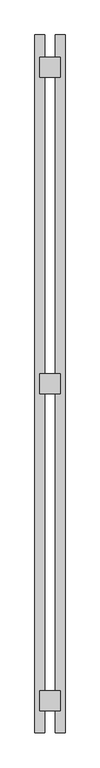
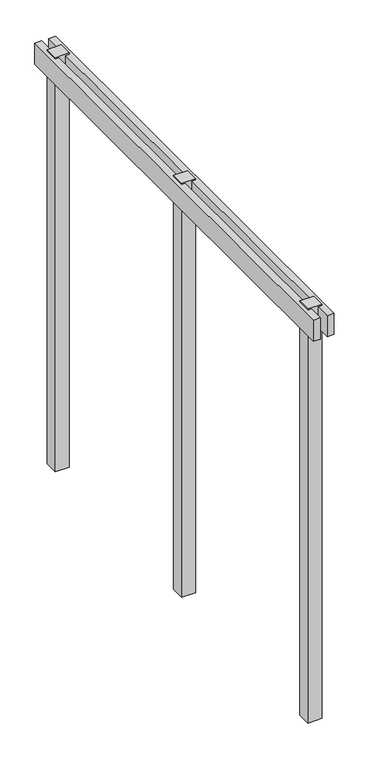
"""IFC4 building model written with IfcOpenShell, lengths in millimetres: railing geometry."""

from ifc_helpers import new_model, si_unit, frame, origin, place, context, project, spatial, polyline, outline, extrude, source, transform, mapped, element, save


def railing_9c78a2e6(model_context):
    return source(origin(), model_context, "Body", "SweptSolid", [
        extrude(outline(polyline([(-8676.6070653, 566.6832134), (-8631.6070653, 566.6832134), (-8631.6070653, -2557.5167866), (-8676.6070653, -2557.5167866), (-8676.6070653, 566.6832134)])), frame((0.0, 0.0, 899.2), z_axis=(0.0, 0.0, 1.0), x_axis=(1.0, 0.0, 0.0)), (0.0, 0.0, 1.0), 145.0),
        extrude(outline(polyline([(-8586.6070653, 566.6832134), (-8541.6070653, 566.6832134), (-8541.6070653, -2557.5167866), (-8586.6070653, -2557.5167866), (-8586.6070653, 566.6832134)])), frame((0.0, 0.0, 899.2), z_axis=(0.0, 0.0, 1.0), x_axis=(1.0, 0.0, 0.0)), (0.0, 0.0, 1.0), 145.0),
        extrude(outline(polyline([(-8654.1070653, -950.4167866), (-8564.1070653, -950.4167866), (-8564.1070653, -1040.4167866), (-8654.1070653, -1040.4167866), (-8654.1070653, -950.4167866)])), frame((0.0, 0.0, -1780.778125), z_axis=(0.0, 0.0, 1.0), x_axis=(1.0, 0.0, 0.0)), (0.0, 0.0, 1.0), 2835.0),
        extrude(outline(polyline([(-8654.1070653, -2367.5581929), (-8564.1070653, -2367.5581929), (-8564.1070653, -2457.5581929), (-8654.1070653, -2457.5581929), (-8654.1070653, -2367.5581929)])), frame((0.0, 0.0, -1780.778125), z_axis=(0.0, 0.0, 1.0), x_axis=(1.0, 0.0, 0.0)), (0.0, 0.0, 1.0), 2835.0),
        extrude(outline(polyline([(-8654.1070653, 466.7246196), (-8564.1070653, 466.7246196), (-8564.1070653, 376.7246196), (-8654.1070653, 376.7246196), (-8654.1070653, 466.7246196)])), frame((0.0, 0.0, -1780.778125), z_axis=(0.0, 0.0, 1.0), x_axis=(1.0, 0.0, 0.0)), (0.0, 0.0, 1.0), 2835.0),
    ])


if __name__ == "__main__":
    model = new_model("IFC4")
    model_context = context("Model", 3, world=origin())
    ifc_project = project(units=[si_unit("LENGTHUNIT", "METRE", prefix="MILLI")], contexts=[model_context])
    site = spatial("IfcSite", under=ifc_project)
    building = spatial("IfcBuilding", under=site)
    placement = place(None, origin())
    railing_shape = railing_9c78a2e6(model_context)
    element("IfcRailing", 1, at=placement, inside=building, context=model_context, shape_type="MappedRepresentation", body=[
        mapped(railing_shape, transform((0.0, 0.0, 0.0), x_axis=(1.0, 0.0, 0.0), y_axis=(0.0, 1.0, 0.0), z_axis=(0.0, 0.0, 1.0))),
    ])
    save(model, "model.ifc")
